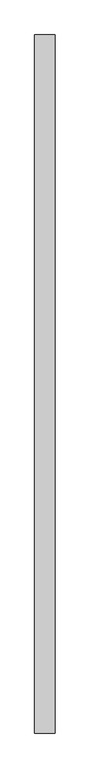
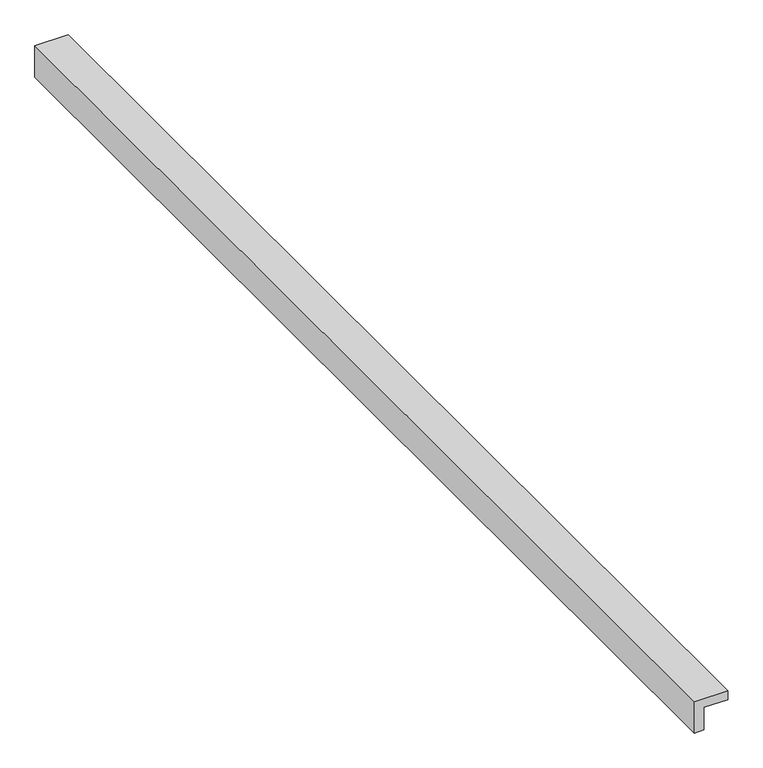
"""IFC4 building model written with IfcOpenShell, lengths in millimetres: proxy geometry."""

from ifc_helpers import new_model, si_unit, frame, origin, place, context, project, spatial, polyline, outline, extrude, source, transform, mapped, element, save


def generic_models_e4d202a7(model_context):
    return source(origin(), model_context, "Body", "SweptSolid", [
        extrude(outline(polyline([(-63.5, -25.4), (-63.5, 0.0), (0.0, 0.0), (0.0, 63.5), (25.4, 63.5), (25.4, -25.4), (-63.5, -25.4)])), frame((0.0, -1524.0, 0.0), z_axis=(0.0, 1.0, 0.0), x_axis=(0.0, 0.0, 1.0)), (0.0, 0.0, 1.0), 3048.0),
    ])


if __name__ == "__main__":
    model = new_model("IFC4")
    model_context = context("Model", 3, world=origin())
    ifc_project = project(units=[si_unit("LENGTHUNIT", "METRE", prefix="MILLI")], contexts=[model_context])
    site = spatial("IfcSite", under=ifc_project)
    building = spatial("IfcBuilding", under=site)
    placement = place(None, origin())
    generic_models_shape = generic_models_e4d202a7(model_context)
    element("IfcBuildingElementProxy", 1, Name="Generic Models", at=placement, inside=building, context=model_context, shape_type="MappedRepresentation", body=[
        mapped(generic_models_shape, transform((0.0, 0.0, 0.0), x_axis=(1.0, 0.0, 0.0), y_axis=(0.0, 1.0, 0.0), z_axis=(0.0, 0.0, 1.0))),
    ])
    save(model, "model.ifc")
